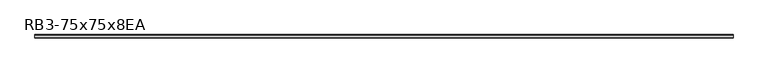
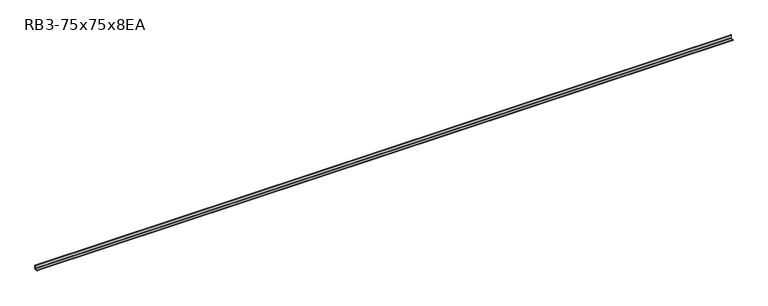
"""IFC4 building model written with IfcOpenShell, lengths in millimetres: member geometry, RB3-75x75x8EA."""

import ifcopenshell
import ifcopenshell.guid

model = None  # the IFC model being written
_history = None  # IfcOwnerHistory: only IFC2X3 demands one
_inside = {}  # id of a spatial element -> (the spatial element, [elements in it])
_under = {}  # id of a project, library or spatial element -> (it, [spatial elements below it])
_declared = {}  # id of a project -> (the project, [libraries it declares])
_typed = {}  # id of a type object -> (the type object, [elements of that type])
_made_of = {}  # id of a material, layer set ... -> (it, [elements and type objects made of it])


def new_model(schema):
    """Start an empty IFC model of exactly this schema.

    Asked for "IFC4X3", IfcOpenShell would pick the latest addendum, in which some entities
    have other attributes; the version numbers below select the first issue.
    IFC2X3 requires an IfcOwnerHistory on every rooted entity: one is made here for all.
    """
    global model, _history
    if schema == "IFC4X3":
        model = ifcopenshell.file(schema_version=(4, 3, 0, 0))
    else:
        model = ifcopenshell.file(schema=schema)
    _inside.clear()
    _under.clear()
    _declared.clear()
    _typed.clear()
    _made_of.clear()
    _history = None
    if model.schema == "IFC2X3":
        org = make("IfcOrganization", Name="unknown")
        user = make(
            "IfcPersonAndOrganization",
            ThePerson=make("IfcPerson", FamilyName="unknown"),
            TheOrganization=org,
        )
        app = make(
            "IfcApplication",
            ApplicationDeveloper=org,
            Version="unknown",
            ApplicationFullName="unknown",
            ApplicationIdentifier="unknown",
        )
        _history = make(
            "IfcOwnerHistory",
            OwningUser=user,
            OwningApplication=app,
            ChangeAction="ADDED",
            CreationDate=0,
        )
    return model


def make(cls, **values):
    """One entity of the class cls with the attributes given. An attribute that is None is left unset."""
    return model.create_entity(
        cls, **{name: value for name, value in values.items() if value is not None}
    )


def rooted(cls, **values):
    """An entity with a GlobalId (a new one), such as an element, a storey or a relation."""
    return make(cls, GlobalId=ifcopenshell.guid.new(), OwnerHistory=_history, **values)


def si_unit(unit_type, name, prefix=None):
    """IfcSIUnit, for example si_unit("LENGTHUNIT", "METRE", prefix="MILLI")."""
    return make("IfcSIUnit", UnitType=unit_type, Prefix=prefix, Name=name)


def assignment(units):
    """IfcUnitAssignment: the units of a project."""
    return None if units is None else make("IfcUnitAssignment", Units=units)


def point(xyz):
    """IfcCartesianPoint."""
    return None if xyz is None else make("IfcCartesianPoint", Coordinates=xyz)


def direction(xyz):
    """IfcDirection."""
    return None if xyz is None else make("IfcDirection", DirectionRatios=xyz)


def frame(location, z_axis=None, x_axis=None):
    """IfcAxis2Placement3D, a coordinate frame: its origin and axes. An axis left out is left unset."""
    return make(
        "IfcAxis2Placement3D",
        Location=point(location),
        Axis=direction(z_axis),
        RefDirection=direction(x_axis),
    )


def frame_2d(location, x_axis=None):
    """IfcAxis2Placement2D, a coordinate frame in the plane: its origin and x axis."""
    return make(
        "IfcAxis2Placement2D", Location=point(location), RefDirection=direction(x_axis)
    )


def origin():
    """The frame at (0, 0, 0) with its axes left unset."""
    return frame((0.0, 0.0, 0.0))


def place(relative_to, where):
    """IfcLocalPlacement: puts the frame where relative to a parent placement (None: the world)."""
    return make(
        "IfcLocalPlacement", PlacementRelTo=relative_to, RelativePlacement=where
    )


def context(
    kind, dimensions, precision=None, world=None, true_north=None, identifier=None
):
    """IfcGeometricRepresentationContext, for example the 3D "Model" context."""
    return make(
        "IfcGeometricRepresentationContext",
        ContextIdentifier=identifier,
        ContextType=kind,
        CoordinateSpaceDimension=dimensions,
        Precision=precision,
        WorldCoordinateSystem=world,
        TrueNorth=true_north,
    )


def project(units=None, contexts=None):
    """IfcProject with its units and contexts."""
    return rooted(
        "IfcProject",
        Name="project",
        RepresentationContexts=contexts,
        UnitsInContext=assignment(units),
    )


def spatial(cls, under=None, at=None, **own):
    """A site, building, storey or space (cls), placed at a placement, below another one or the project."""
    s = rooted(cls, ObjectPlacement=at, **own)
    if under is not None:
        _under.setdefault(under.id(), (under, []))[1].append(s)
    return s


def polyline(points):
    """IfcPolyline through the points."""
    return make("IfcPolyline", Points=[point(p) for p in points])


def circle_curve(where, radius):
    """IfcCircle in the frame where."""
    return make("IfcCircle", Position=where, Radius=radius)


def trimmed(basis, trim1, trim2, sense, master):
    """IfcTrimmedCurve: the piece of a basis curve between two trims."""
    return make(
        "IfcTrimmedCurve",
        BasisCurve=basis,
        Trim1=trim1,
        Trim2=trim2,
        SenseAgreement=sense,
        MasterRepresentation=master,
    )


def segment(curve, same_sense, transition):
    """IfcCompositeCurveSegment."""
    return make(
        "IfcCompositeCurveSegment",
        Transition=transition,
        SameSense=same_sense,
        ParentCurve=curve,
    )


def composite_curve(segments, self_intersect=None):
    """IfcCompositeCurve: segments joined end to end."""
    return make("IfcCompositeCurve", Segments=segments, SelfIntersect=self_intersect)


def outline(outer, holes=None, kind="AREA"):
    """IfcArbitraryClosedProfileDef: a profile drawn as a closed curve; with holes, ...WithVoids."""
    if holes is None:
        return make("IfcArbitraryClosedProfileDef", ProfileType=kind, OuterCurve=outer)
    return make(
        "IfcArbitraryProfileDefWithVoids",
        ProfileType=kind,
        OuterCurve=outer,
        InnerCurves=holes,
    )


def extrude(swept, where, along, depth):
    """IfcExtrudedAreaSolid: the profile swept, set in the frame where, extruded along a direction by depth."""
    return make(
        "IfcExtrudedAreaSolid",
        SweptArea=swept,
        Position=where,
        ExtrudedDirection=direction(along),
        Depth=depth,
    )


def shape(context_of_items, identifier, shape_type, items):
    """IfcShapeRepresentation: the items that make up one representation, for example the "Body"."""
    return make(
        "IfcShapeRepresentation",
        ContextOfItems=context_of_items,
        RepresentationIdentifier=identifier,
        RepresentationType=shape_type,
        Items=items,
    )


def source(mapping_origin, context_of_items, identifier, shape_type, items):
    """IfcRepresentationMap: a shape defined once, which mapped items show again and again."""
    return make(
        "IfcRepresentationMap",
        MappingOrigin=mapping_origin,
        MappedRepresentation=shape(context_of_items, identifier, shape_type, items),
    )


def transform(
    local_origin,
    x_axis=None,
    y_axis=None,
    z_axis=None,
    scale=None,
    scale2=None,
    scale3=None,
    uniform=True,
):
    """IfcCartesianTransformationOperator3D, or its non-uniform kind. x_axis, y_axis, z_axis: its Axis1, 2, 3."""
    if uniform:
        return make(
            "IfcCartesianTransformationOperator3D",
            Axis1=direction(x_axis),
            Axis2=direction(y_axis),
            LocalOrigin=point(local_origin),
            Scale=scale,
            Axis3=direction(z_axis),
        )
    return make(
        "IfcCartesianTransformationOperator3DnonUniform",
        Axis1=direction(x_axis),
        Axis2=direction(y_axis),
        LocalOrigin=point(local_origin),
        Scale=scale,
        Axis3=direction(z_axis),
        Scale2=scale2,
        Scale3=scale3,
    )


def mapped(mapping_source, mapping_target):
    """IfcMappedItem: shows the shape of a source again, moved by a transform."""
    return make(
        "IfcMappedItem", MappingSource=mapping_source, MappingTarget=mapping_target
    )


def made_of(thing, what):
    """Note that an element or type object is made of a material, layer set ...; save() writes the relation."""
    if what is not None:
        _made_of.setdefault(what.id(), (what, []))[1].append(thing)
    return thing


def element(
    cls,
    number,
    at=None,
    inside=None,
    cuts=None,
    type_object=None,
    material=None,
    context=None,
    identifier="Body",
    shape_type=None,
    held_by="IfcProductDefinitionShape",
    body=None,
    shapes=None,
    **own,
):
    """One element of the class cls, such as IfcWall. Its Tag is "e" and its number.

    at: its placement. inside: the storey or other place that contains it. cuts: it is an
    opening in that element (IfcRelVoidsElement). A single representation is given by context,
    identifier, shape_type and body (its items); several are given by shapes. held_by: the class
    of the entity that holds the representations. save() writes the other relations.
    """
    e = rooted(cls, Tag="e%d" % number, ObjectPlacement=at, **own)
    if body is not None:
        shapes = [shape(context, identifier, shape_type, body)]
    if shapes is not None:
        e.Representation = make(held_by, Representations=shapes)
    if inside is not None:
        _inside.setdefault(inside.id(), (inside, []))[1].append(e)
    if cuts is not None:
        rooted(
            "IfcRelVoidsElement", RelatingBuildingElement=cuts, RelatedOpeningElement=e
        )
    if type_object is not None:
        _typed.setdefault(type_object.id(), (type_object, []))[1].append(e)
    return made_of(e, material)


def aggregate(whole, parts):
    """IfcRelAggregates: a whole, such as a stair, and the parts it consists of."""
    return rooted("IfcRelAggregates", RelatingObject=whole, RelatedObjects=parts)


def save(model, path):
    """Write the relations noted so far, then the file.

    IfcRelAggregates (storeys below a building ...), IfcRelContainedInSpatialStructure (elements
    in a storey), IfcRelDefinesByType, IfcRelAssociatesMaterial and IfcRelDeclares: one each for
    every whole, place, type object, material and project.
    """
    for whole, parts in _under.values():
        aggregate(whole, parts)
    for where, things in _inside.values():
        rooted(
            "IfcRelContainedInSpatialStructure",
            RelatedElements=things,
            RelatingStructure=where,
        )
    for kind, things in _typed.values():
        rooted("IfcRelDefinesByType", RelatedObjects=things, RelatingType=kind)
    for what, things in _made_of.values():
        rooted("IfcRelAssociatesMaterial", RelatedObjects=things, RelatingMaterial=what)
    for by, libraries in _declared.values():
        rooted("IfcRelDeclares", RelatingContext=by, RelatedDefinitions=libraries)
    model.write(path)


def rb3_75x75x8ea_02fcea7a(model_context):
    return source(origin(), model_context, "Body", "SweptSolid", [
        extrude(outline(composite_curve([segment(polyline([(21.3, -21.3), (-53.7, -21.3), (-53.7, -18.3)]), True, "CONTINUOUS"), segment(trimmed(circle_curve(frame_2d((-48.7, -18.3)), 5.0), [point((-53.7, -18.3))], [point((-48.7, -13.3))], False, "CARTESIAN"), True, "CONTINUOUS"), segment(polyline([(-48.7, -13.3), (5.3, -13.3)]), True, "CONTINUOUS"), segment(trimmed(circle_curve(frame_2d((5.3, -5.3)), 8.0), [point((5.3, -13.3))], [point((13.3, -5.3))], True, "CARTESIAN"), True, "CONTINUOUS"), segment(polyline([(13.3, -5.3), (13.3, 48.7)]), True, "CONTINUOUS"), segment(trimmed(circle_curve(frame_2d((18.3, 48.7)), 5.0), [point((13.3, 48.7))], [point((18.3, 53.7))], False, "CARTESIAN"), True, "CONTINUOUS"), segment(polyline([(18.3, 53.7), (21.3, 53.7), (21.3, -21.3)]), True, "CONTINUOUS")], self_intersect=False)), frame((-7354.5, 0.0, 0.0), z_axis=(1.0, 0.0, 0.0), x_axis=(0.0, 1.0, 0.0)), (0.0, 0.0, 1.0), 14731.0),
    ])


if __name__ == "__main__":
    model = new_model("IFC4")
    model_context = context("Model", 3, world=origin())
    ifc_project = project(units=[si_unit("LENGTHUNIT", "METRE", prefix="MILLI")], contexts=[model_context])
    site = spatial("IfcSite", under=ifc_project)
    building = spatial("IfcBuilding", under=site)
    placement = place(None, origin())
    rb3_75x75x8ea_shape = rb3_75x75x8ea_02fcea7a(model_context)
    element("IfcMember", 1, ObjectType="RB3-75x75x8EA", at=placement, inside=building, context=model_context, shape_type="MappedRepresentation", body=[
        mapped(rb3_75x75x8ea_shape, transform((0.0, 0.0, 0.0), x_axis=(1.0, 0.0, 0.0), y_axis=(0.0, 1.0, 0.0), z_axis=(0.0, 0.0, 1.0))),
    ])
    save(model, "model.ifc")
